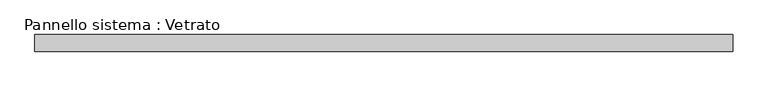
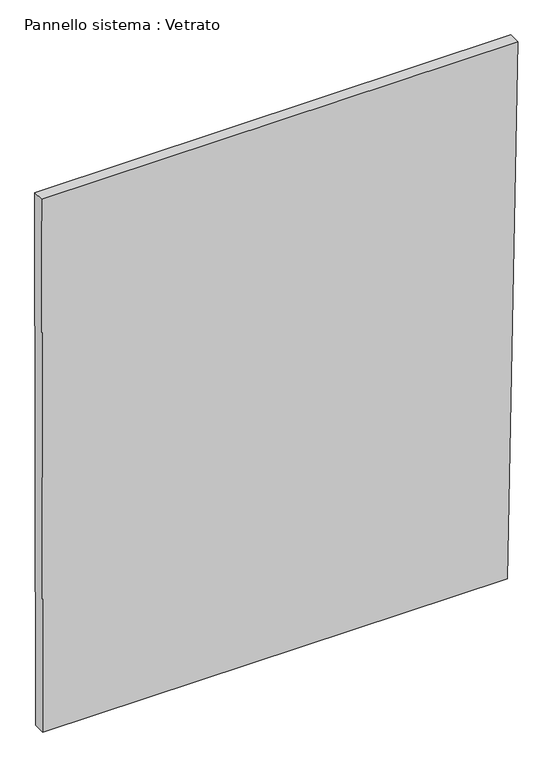
"""IFC4 building model written with IfcOpenShell, lengths in millimetres: plate geometry, Pannello sistema : Vetrato."""

from ifc_helpers import new_model, si_unit, frame, origin, place, context, project, spatial, polyline, outline, extrude, source, transform, mapped, element, save


def pannello_sistema_vetrato_91bbcb84(model_context):
    return source(origin(), model_context, "Body", "SweptSolid", [
        extrude(outline(polyline([(1.7574618, -611.4129788), (0.0, 587.2669453), (1454.4064554, 614.0868498), (1454.4064501, -614.0868498), (1.7574618, -611.4129788)])), frame((0.0, -15.0, 0.0), z_axis=(0.0, 1.0, 0.0), x_axis=(0.0, 0.0, 1.0)), (0.0, 0.0, 1.0), 30.0),
    ])


if __name__ == "__main__":
    model = new_model("IFC4")
    model_context = context("Model", 3, world=origin())
    ifc_project = project(units=[si_unit("LENGTHUNIT", "METRE", prefix="MILLI")], contexts=[model_context])
    site = spatial("IfcSite", under=ifc_project)
    building = spatial("IfcBuilding", under=site)
    placement = place(None, origin())
    pannello_sistema_vetrato_shape = pannello_sistema_vetrato_91bbcb84(model_context)
    element("IfcPlate", 1, ObjectType="Pannello sistema : Vetrato", at=placement, inside=building, context=model_context, shape_type="MappedRepresentation", body=[
        mapped(pannello_sistema_vetrato_shape, transform((0.0, 0.0, 0.0), x_axis=(1.0, 0.0, 0.0), y_axis=(0.0, 1.0, 0.0), z_axis=(0.0, 0.0, 1.0))),
    ])
    save(model, "model.ifc")
